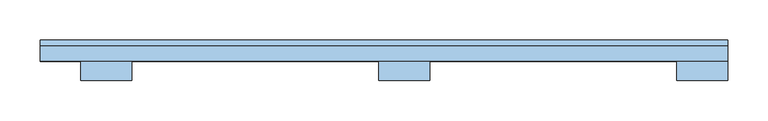
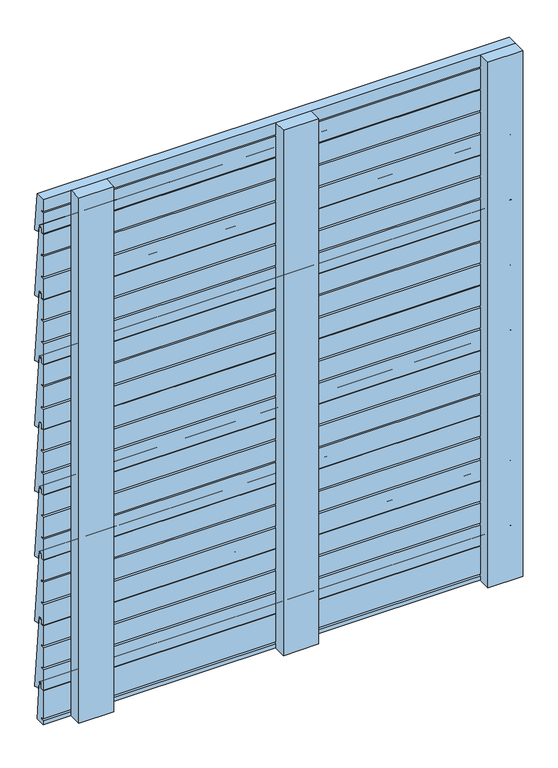
"""IFC4 building model written with IfcOpenShell, lengths in millimetres: window geometry."""

from ifc_helpers import new_model, si_unit, point, frame, frame_2d, origin, place, context, project, spatial, polyline, circle_curve, trimmed, segment, composite_curve, outline, extrude, source, transform, mapped, element, save


def window_a7425e88(model_context):
    return source(origin(), model_context, "Body", "SweptSolid", [
        extrude(outline(composite_curve([segment(polyline([(79.0486008, 158.0248213), (68.2650704, 160.8526855)]), True, "CONTINUOUS"), segment(trimmed(circle_curve(frame_2d((68.5592328, 161.8456874)), 1.0356565), [point((68.2650704, 160.8526855))], [point((67.5275173, 161.755424))], False, "CARTESIAN"), True, "CONTINUOUS"), segment(polyline([(67.5275173, 161.755424), (66.5, 173.5)]), True, "CONTINUOUS"), segment(trimmed(circle_curve(frame_2d((65.0, 173.5)), 1.5), [point((66.5, 173.5))], [point((65.0, 175.0))], True, "CARTESIAN"), True, "CONTINUOUS"), segment(polyline([(65.0, 175.0), (61.5, 175.0)]), True, "CONTINUOUS"), segment(trimmed(circle_curve(frame_2d((61.5, 173.5)), 1.5), [point((61.5, 175.0))], [point((60.0, 173.5))], True, "CARTESIAN"), True, "CONTINUOUS"), segment(polyline([(60.0, 173.5), (60.0, 167.0)]), True, "CONTINUOUS"), segment(trimmed(circle_curve(frame_2d((59.0, 167.0)), 1.0), [point((60.0, 167.0))], [point((59.0, 166.0))], False, "CARTESIAN"), True, "CONTINUOUS"), segment(polyline([(59.0, 166.0), (54.0, 166.0), (54.0, 204.8689113), (60.0, 204.8689113), (60.0, 208.3689113), (54.0, 208.3689113), (54.0, 246.9745882), (60.0, 246.9745882), (60.0, 250.4745882), (54.0, 250.4745882), (54.0, 289.0), (60.0, 289.0), (60.0, 295.5)]), True, "CONTINUOUS"), segment(trimmed(circle_curve(frame_2d((61.5, 295.5)), 1.5), [point((60.0, 295.5))], [point((61.5, 297.0))], False, "CARTESIAN"), True, "CONTINUOUS"), segment(polyline([(61.5, 297.0), (64.5312583, 297.0)]), True, "CONTINUOUS"), segment(trimmed(circle_curve(frame_2d((64.5312583, 295.5)), 1.5), [point((64.5312583, 297.0))], [point((66.0239451, 295.6479395))], False, "CARTESIAN"), True, "CONTINUOUS"), segment(polyline([(66.0239451, 295.6479395), (79.9960731, 158.8359984)]), True, "CONTINUOUS"), segment(trimmed(circle_curve(frame_2d((79.241104, 158.758896)), 0.758896), [point((79.9960731, 158.8359984))], [point((79.0486008, 158.0248213))], False, "CARTESIAN"), True, "CONTINUOUS")], self_intersect=False)), frame((-450.0, 0.0, 0.0), z_axis=(1.0, 0.0, 0.0), x_axis=(0.0, 1.0, 0.0)), (0.0, 0.0, 1.0), 850.0),
        extrude(outline(composite_curve([segment(polyline([(79.0486008, 282.0248213), (68.2650704, 284.8526855)]), True, "CONTINUOUS"), segment(trimmed(circle_curve(frame_2d((68.5592328, 285.8456874)), 1.0356565), [point((68.2650704, 284.8526855))], [point((67.5275173, 285.755424))], False, "CARTESIAN"), True, "CONTINUOUS"), segment(polyline([(67.5275173, 285.755424), (66.5, 297.5)]), True, "CONTINUOUS"), segment(trimmed(circle_curve(frame_2d((65.0, 297.5)), 1.5), [point((66.5, 297.5))], [point((65.0, 299.0))], True, "CARTESIAN"), True, "CONTINUOUS"), segment(polyline([(65.0, 299.0), (61.5, 299.0)]), True, "CONTINUOUS"), segment(trimmed(circle_curve(frame_2d((61.5, 297.5)), 1.5), [point((61.5, 299.0))], [point((60.0, 297.5))], True, "CARTESIAN"), True, "CONTINUOUS"), segment(polyline([(60.0, 297.5), (60.0, 291.0)]), True, "CONTINUOUS"), segment(trimmed(circle_curve(frame_2d((59.0, 291.0)), 1.0), [point((60.0, 291.0))], [point((59.0, 290.0))], False, "CARTESIAN"), True, "CONTINUOUS"), segment(polyline([(59.0, 290.0), (54.0, 290.0), (54.0, 328.8689113), (60.0, 328.8689113), (60.0, 332.3689113), (54.0, 332.3689113), (54.0, 370.9745882), (60.0, 370.9745882), (60.0, 374.4745882), (54.0, 374.4745882), (54.0, 413.0), (60.0, 413.0), (60.0, 419.5)]), True, "CONTINUOUS"), segment(trimmed(circle_curve(frame_2d((61.5, 419.5)), 1.5), [point((60.0, 419.5))], [point((61.5, 421.0))], False, "CARTESIAN"), True, "CONTINUOUS"), segment(polyline([(61.5, 421.0), (64.5312583, 421.0)]), True, "CONTINUOUS"), segment(trimmed(circle_curve(frame_2d((64.5312583, 419.5)), 1.5), [point((64.5312583, 421.0))], [point((66.0239451, 419.6479395))], False, "CARTESIAN"), True, "CONTINUOUS"), segment(polyline([(66.0239451, 419.6479395), (79.9960731, 282.8359984)]), True, "CONTINUOUS"), segment(trimmed(circle_curve(frame_2d((79.241104, 282.758896)), 0.758896), [point((79.9960731, 282.8359984))], [point((79.0486008, 282.0248213))], False, "CARTESIAN"), True, "CONTINUOUS")], self_intersect=False)), frame((-450.0, 0.0, 0.0), z_axis=(1.0, 0.0, 0.0), x_axis=(0.0, 1.0, 0.0)), (0.0, 0.0, 1.0), 850.0),
        extrude(outline(composite_curve([segment(polyline([(79.0486008, 406.0248213), (68.2650704, 408.8526855)]), True, "CONTINUOUS"), segment(trimmed(circle_curve(frame_2d((68.5592328, 409.8456874)), 1.0356565), [point((68.2650704, 408.8526855))], [point((67.5275173, 409.755424))], False, "CARTESIAN"), True, "CONTINUOUS"), segment(polyline([(67.5275173, 409.755424), (66.5, 421.5)]), True, "CONTINUOUS"), segment(trimmed(circle_curve(frame_2d((65.0, 421.5)), 1.5), [point((66.5, 421.5))], [point((65.0, 423.0))], True, "CARTESIAN"), True, "CONTINUOUS"), segment(polyline([(65.0, 423.0), (61.5, 423.0)]), True, "CONTINUOUS"), segment(trimmed(circle_curve(frame_2d((61.5, 421.5)), 1.5), [point((61.5, 423.0))], [point((60.0, 421.5))], True, "CARTESIAN"), True, "CONTINUOUS"), segment(polyline([(60.0, 421.5), (60.0, 415.0)]), True, "CONTINUOUS"), segment(trimmed(circle_curve(frame_2d((59.0, 415.0)), 1.0), [point((60.0, 415.0))], [point((59.0, 414.0))], False, "CARTESIAN"), True, "CONTINUOUS"), segment(polyline([(59.0, 414.0), (54.0, 414.0), (54.0, 452.8689113), (60.0, 452.8689113), (60.0, 456.3689113), (54.0, 456.3689113), (54.0, 494.9745882), (60.0, 494.9745882), (60.0, 498.4745882), (54.0, 498.4745882), (54.0, 537.0), (60.0, 537.0), (60.0, 543.5)]), True, "CONTINUOUS"), segment(trimmed(circle_curve(frame_2d((61.5, 543.5)), 1.5), [point((60.0, 543.5))], [point((61.5, 545.0))], False, "CARTESIAN"), True, "CONTINUOUS"), segment(polyline([(61.5, 545.0), (64.5312583, 545.0)]), True, "CONTINUOUS"), segment(trimmed(circle_curve(frame_2d((64.5312583, 543.5)), 1.5), [point((64.5312583, 545.0))], [point((66.0239451, 543.6479395))], False, "CARTESIAN"), True, "CONTINUOUS"), segment(polyline([(66.0239451, 543.6479395), (79.9960731, 406.8359984)]), True, "CONTINUOUS"), segment(trimmed(circle_curve(frame_2d((79.241104, 406.758896)), 0.758896), [point((79.9960731, 406.8359984))], [point((79.0486008, 406.0248213))], False, "CARTESIAN"), True, "CONTINUOUS")], self_intersect=False)), frame((-450.0, 0.0, 0.0), z_axis=(1.0, 0.0, 0.0), x_axis=(0.0, 1.0, 0.0)), (0.0, 0.0, 1.0), 850.0),
        extrude(outline(composite_curve([segment(polyline([(79.0486008, 530.0248213), (68.2650704, 532.8526855)]), True, "CONTINUOUS"), segment(trimmed(circle_curve(frame_2d((68.5592328, 533.8456874)), 1.0356565), [point((68.2650704, 532.8526855))], [point((67.5275173, 533.755424))], False, "CARTESIAN"), True, "CONTINUOUS"), segment(polyline([(67.5275173, 533.755424), (66.5, 545.5)]), True, "CONTINUOUS"), segment(trimmed(circle_curve(frame_2d((65.0, 545.5)), 1.5), [point((66.5, 545.5))], [point((65.0, 547.0))], True, "CARTESIAN"), True, "CONTINUOUS"), segment(polyline([(65.0, 547.0), (61.5, 547.0)]), True, "CONTINUOUS"), segment(trimmed(circle_curve(frame_2d((61.5, 545.5)), 1.5), [point((61.5, 547.0))], [point((60.0, 545.5))], True, "CARTESIAN"), True, "CONTINUOUS"), segment(polyline([(60.0, 545.5), (60.0, 539.0)]), True, "CONTINUOUS"), segment(trimmed(circle_curve(frame_2d((59.0, 539.0)), 1.0), [point((60.0, 539.0))], [point((59.0, 538.0))], False, "CARTESIAN"), True, "CONTINUOUS"), segment(polyline([(59.0, 538.0), (54.0, 538.0), (54.0, 576.8689113), (60.0, 576.8689113), (60.0, 580.3689113), (54.0, 580.3689113), (54.0, 618.9745882), (60.0, 618.9745882), (60.0, 622.4745882), (54.0, 622.4745882), (54.0, 661.0), (60.0, 661.0), (60.0, 667.5)]), True, "CONTINUOUS"), segment(trimmed(circle_curve(frame_2d((61.5, 667.5)), 1.5), [point((60.0, 667.5))], [point((61.5, 669.0))], False, "CARTESIAN"), True, "CONTINUOUS"), segment(polyline([(61.5, 669.0), (64.5312583, 669.0)]), True, "CONTINUOUS"), segment(trimmed(circle_curve(frame_2d((64.5312583, 667.5)), 1.5), [point((64.5312583, 669.0))], [point((66.0239451, 667.6479395))], False, "CARTESIAN"), True, "CONTINUOUS"), segment(polyline([(66.0239451, 667.6479395), (79.9960731, 530.8359984)]), True, "CONTINUOUS"), segment(trimmed(circle_curve(frame_2d((79.241104, 530.758896)), 0.758896), [point((79.9960731, 530.8359984))], [point((79.0486008, 530.0248213))], False, "CARTESIAN"), True, "CONTINUOUS")], self_intersect=False)), frame((-450.0, 0.0, 0.0), z_axis=(1.0, 0.0, 0.0), x_axis=(0.0, 1.0, 0.0)), (0.0, 0.0, 1.0), 850.0),
        extrude(outline(composite_curve([segment(polyline([(79.0486008, 654.0248213), (68.2650704, 656.8526855)]), True, "CONTINUOUS"), segment(trimmed(circle_curve(frame_2d((68.5592328, 657.8456874)), 1.0356565), [point((68.2650704, 656.8526855))], [point((67.5275173, 657.755424))], False, "CARTESIAN"), True, "CONTINUOUS"), segment(polyline([(67.5275173, 657.755424), (66.5, 669.5)]), True, "CONTINUOUS"), segment(trimmed(circle_curve(frame_2d((65.0, 669.5)), 1.5), [point((66.5, 669.5))], [point((65.0, 671.0))], True, "CARTESIAN"), True, "CONTINUOUS"), segment(polyline([(65.0, 671.0), (61.5, 671.0)]), True, "CONTINUOUS"), segment(trimmed(circle_curve(frame_2d((61.5, 669.5)), 1.5), [point((61.5, 671.0))], [point((60.0, 669.5))], True, "CARTESIAN"), True, "CONTINUOUS"), segment(polyline([(60.0, 669.5), (60.0, 663.0)]), True, "CONTINUOUS"), segment(trimmed(circle_curve(frame_2d((59.0, 663.0)), 1.0), [point((60.0, 663.0))], [point((59.0, 662.0))], False, "CARTESIAN"), True, "CONTINUOUS"), segment(polyline([(59.0, 662.0), (54.0, 662.0), (54.0, 700.8689113), (60.0, 700.8689113), (60.0, 704.3689113), (54.0, 704.3689113), (54.0, 742.9745882), (60.0, 742.9745882), (60.0, 746.4745882), (54.0, 746.4745882), (54.0, 785.0), (60.0, 785.0), (60.0, 791.5)]), True, "CONTINUOUS"), segment(trimmed(circle_curve(frame_2d((61.5, 791.5)), 1.5), [point((60.0, 791.5))], [point((61.5, 793.0))], False, "CARTESIAN"), True, "CONTINUOUS"), segment(polyline([(61.5, 793.0), (64.5312583, 793.0)]), True, "CONTINUOUS"), segment(trimmed(circle_curve(frame_2d((64.5312583, 791.5)), 1.5), [point((64.5312583, 793.0))], [point((66.0239451, 791.6479395))], False, "CARTESIAN"), True, "CONTINUOUS"), segment(polyline([(66.0239451, 791.6479395), (79.9960731, 654.8359984)]), True, "CONTINUOUS"), segment(trimmed(circle_curve(frame_2d((79.241104, 654.758896)), 0.758896), [point((79.9960731, 654.8359984))], [point((79.0486008, 654.0248213))], False, "CARTESIAN"), True, "CONTINUOUS")], self_intersect=False)), frame((-450.0, 0.0, 0.0), z_axis=(1.0, 0.0, 0.0), x_axis=(0.0, 1.0, 0.0)), (0.0, 0.0, 1.0), 850.0),
        extrude(outline(composite_curve([segment(polyline([(79.0486008, 778.0248213), (68.2650704, 780.8526855)]), True, "CONTINUOUS"), segment(trimmed(circle_curve(frame_2d((68.5592328, 781.8456874)), 1.0356565), [point((68.2650704, 780.8526855))], [point((67.5275173, 781.755424))], False, "CARTESIAN"), True, "CONTINUOUS"), segment(polyline([(67.5275173, 781.755424), (66.5, 793.5)]), True, "CONTINUOUS"), segment(trimmed(circle_curve(frame_2d((65.0, 793.5)), 1.5), [point((66.5, 793.5))], [point((65.0, 795.0))], True, "CARTESIAN"), True, "CONTINUOUS"), segment(polyline([(65.0, 795.0), (61.5, 795.0)]), True, "CONTINUOUS"), segment(trimmed(circle_curve(frame_2d((61.5, 793.5)), 1.5), [point((61.5, 795.0))], [point((60.0, 793.5))], True, "CARTESIAN"), True, "CONTINUOUS"), segment(polyline([(60.0, 793.5), (60.0, 787.0)]), True, "CONTINUOUS"), segment(trimmed(circle_curve(frame_2d((59.0, 787.0)), 1.0), [point((60.0, 787.0))], [point((59.0, 786.0))], False, "CARTESIAN"), True, "CONTINUOUS"), segment(polyline([(59.0, 786.0), (54.0, 786.0), (54.0, 824.8689113), (60.0, 824.8689113), (60.0, 828.3689113), (54.0, 828.3689113), (54.0, 866.9745882), (60.0, 866.9745882), (60.0, 870.4745882), (54.0, 870.4745882), (54.0, 909.0), (60.0, 909.0), (60.0, 915.5)]), True, "CONTINUOUS"), segment(trimmed(circle_curve(frame_2d((61.5, 915.5)), 1.5), [point((60.0, 915.5))], [point((61.5, 917.0))], False, "CARTESIAN"), True, "CONTINUOUS"), segment(polyline([(61.5, 917.0), (64.5312583, 917.0)]), True, "CONTINUOUS"), segment(trimmed(circle_curve(frame_2d((64.5312583, 915.5)), 1.5), [point((64.5312583, 917.0))], [point((66.0239451, 915.6479395))], False, "CARTESIAN"), True, "CONTINUOUS"), segment(polyline([(66.0239451, 915.6479395), (79.9960731, 778.8359984)]), True, "CONTINUOUS"), segment(trimmed(circle_curve(frame_2d((79.241104, 778.758896)), 0.758896), [point((79.9960731, 778.8359984))], [point((79.0486008, 778.0248213))], False, "CARTESIAN"), True, "CONTINUOUS")], self_intersect=False)), frame((-450.0, 0.0, 0.0), z_axis=(1.0, 0.0, 0.0), x_axis=(0.0, 1.0, 0.0)), (0.0, 0.0, 1.0), 850.0),
        extrude(outline(composite_curve([segment(polyline([(79.0486008, 902.0248213), (68.2650704, 904.8526855)]), True, "CONTINUOUS"), segment(trimmed(circle_curve(frame_2d((68.5592328, 905.8456874)), 1.0356565), [point((68.2650704, 904.8526855))], [point((67.5275173, 905.755424))], False, "CARTESIAN"), True, "CONTINUOUS"), segment(polyline([(67.5275173, 905.755424), (66.5, 917.5)]), True, "CONTINUOUS"), segment(trimmed(circle_curve(frame_2d((65.0, 917.5)), 1.5), [point((66.5, 917.5))], [point((65.0, 919.0))], True, "CARTESIAN"), True, "CONTINUOUS"), segment(polyline([(65.0, 919.0), (61.5, 919.0)]), True, "CONTINUOUS"), segment(trimmed(circle_curve(frame_2d((61.5, 917.5)), 1.5), [point((61.5, 919.0))], [point((60.0, 917.5))], True, "CARTESIAN"), True, "CONTINUOUS"), segment(polyline([(60.0, 917.5), (60.0, 911.0)]), True, "CONTINUOUS"), segment(trimmed(circle_curve(frame_2d((59.0, 911.0)), 1.0), [point((60.0, 911.0))], [point((59.0, 910.0))], False, "CARTESIAN"), True, "CONTINUOUS"), segment(polyline([(59.0, 910.0), (54.0, 910.0), (54.0, 948.8689113), (60.0, 948.8689113), (60.0, 952.3689113), (54.0, 952.3689113), (54.0, 990.9745882), (60.0, 990.9745882), (60.0, 994.4745882), (54.0, 994.4745882), (54.0, 1033.0), (60.0, 1033.0), (60.0, 1039.5)]), True, "CONTINUOUS"), segment(trimmed(circle_curve(frame_2d((61.5, 1039.5)), 1.5), [point((60.0, 1039.5))], [point((61.5, 1041.0))], False, "CARTESIAN"), True, "CONTINUOUS"), segment(polyline([(61.5, 1041.0), (64.5312583, 1041.0)]), True, "CONTINUOUS"), segment(trimmed(circle_curve(frame_2d((64.5312583, 1039.5)), 1.5), [point((64.5312583, 1041.0))], [point((66.0239451, 1039.6479395))], False, "CARTESIAN"), True, "CONTINUOUS"), segment(polyline([(66.0239451, 1039.6479395), (79.9960731, 902.8359984)]), True, "CONTINUOUS"), segment(trimmed(circle_curve(frame_2d((79.241104, 902.758896)), 0.758896), [point((79.9960731, 902.8359984))], [point((79.0486008, 902.0248213))], False, "CARTESIAN"), True, "CONTINUOUS")], self_intersect=False)), frame((-450.0, 0.0, 0.0), z_axis=(1.0, 0.0, 0.0), x_axis=(0.0, 1.0, 0.0)), (0.0, 0.0, 1.0), 850.0),
        extrude(outline(composite_curve([segment(polyline([(66.0239451, 171.6479395), (73.3411001, 100.0), (54.0, 100.0), (54.0, 107.9745882), (60.0, 107.9745882), (60.0, 111.4745882), (54.0, 111.4745882), (54.0, 165.0), (60.0, 165.0), (60.0, 171.5)]), True, "CONTINUOUS"), segment(trimmed(circle_curve(frame_2d((61.5, 171.5)), 1.5), [point((60.0, 171.5))], [point((61.5, 173.0))], False, "CARTESIAN"), True, "CONTINUOUS"), segment(polyline([(61.5, 173.0), (64.5312583, 173.0)]), True, "CONTINUOUS"), segment(trimmed(circle_curve(frame_2d((64.5312583, 171.5)), 1.5), [point((64.5312583, 173.0))], [point((66.0239451, 171.6479395))], False, "CARTESIAN"), True, "CONTINUOUS")], self_intersect=False)), frame((-450.0, 0.0, 0.0), z_axis=(1.0, 0.0, 0.0), x_axis=(0.0, 1.0, 0.0)), (0.0, 0.0, 1.0), 850.0),
        extrude(outline(composite_curve([segment(polyline([(79.0486008, 1027.0248213), (68.2704843, 1029.8526855)]), True, "CONTINUOUS"), segment(trimmed(circle_curve(frame_2d((68.5646467, 1030.8456874)), 1.0356565), [point((68.2704843, 1029.8526855))], [point((67.5329312, 1030.755424))], False, "CARTESIAN"), True, "CONTINUOUS"), segment(polyline([(67.5329312, 1030.755424), (66.4957881, 1042.4879677)]), True, "CONTINUOUS"), segment(trimmed(circle_curve(frame_2d((65.0102268, 1042.4879677)), 1.4855613), [point((66.4957881, 1042.4879677))], [point((65.0102268, 1043.973529))], True, "CARTESIAN"), True, "CONTINUOUS"), segment(polyline([(65.0102268, 1043.973529), (61.4126301, 1043.973529)]), True, "CONTINUOUS"), segment(trimmed(circle_curve(frame_2d((61.4126301, 1042.5252678)), 1.4482612), [point((61.4126301, 1043.973529))], [point((59.9643689, 1042.5252678))], True, "CARTESIAN"), True, "CONTINUOUS"), segment(polyline([(59.9643689, 1042.5252678), (59.9643689, 1036.0411504)]), True, "CONTINUOUS"), segment(trimmed(circle_curve(frame_2d((58.9232185, 1036.0411504)), 1.0411504), [point((59.9643689, 1036.0411504))], [point((58.9232185, 1035.0))], False, "CARTESIAN"), True, "CONTINUOUS"), segment(polyline([(58.9232185, 1035.0), (54.0, 1035.0), (54.0, 1073.8689113), (60.0, 1073.8689113), (60.0, 1077.3689113), (54.0, 1077.3689113), (54.0, 1100.0), (72.5822934, 1100.0), (79.9521521, 1027.8359984)]), True, "CONTINUOUS"), segment(trimmed(circle_curve(frame_2d((79.2054729, 1027.758896)), 0.7506494), [point((79.9521521, 1027.8359984))], [point((79.0486008, 1027.0248213))], False, "CARTESIAN"), True, "CONTINUOUS")], self_intersect=False)), frame((-450.0, 0.0, 0.0), z_axis=(1.0, 0.0, 0.0), x_axis=(0.0, 1.0, 0.0)), (0.0, 0.0, 1.0), 850.0),
        extrude(outline(polyline([(-31.5, 54.1), (31.5, 54.1), (31.5, 30.1), (-31.5, 30.1), (-31.5, 54.1)])), frame((0.0, 0.0, 100.0), z_axis=(0.0, 0.0, 1.0), x_axis=(1.0, 0.0, 0.0)), (0.0, 0.0, 1.0), 1000.0),
        extrude(outline(polyline([(-400.0, 54.0), (-337.0, 54.0), (-337.0, 30.0), (-400.0, 30.0), (-400.0, 54.0)])), frame((0.0, 0.0, 100.0), z_axis=(0.0, 0.0, 1.0), x_axis=(1.0, 0.0, 0.0)), (0.0, 0.0, 1.0), 1000.0),
        extrude(outline(polyline([(337.0, 54.0), (400.0, 54.0), (400.0, 30.0), (337.0, 30.0), (337.0, 54.0)])), frame((0.0, 0.0, 100.0), z_axis=(0.0, 0.0, 1.0), x_axis=(1.0, 0.0, 0.0)), (0.0, 0.0, 1.0), 1000.0),
    ])


if __name__ == "__main__":
    model = new_model("IFC4")
    model_context = context("Model", 3, world=origin())
    ifc_project = project(units=[si_unit("LENGTHUNIT", "METRE", prefix="MILLI")], contexts=[model_context])
    site = spatial("IfcSite", under=ifc_project)
    building = spatial("IfcBuilding", under=site)
    placement = place(None, origin())
    window_shape = window_a7425e88(model_context)
    element("IfcWindow", 1, at=placement, inside=building, context=model_context, shape_type="MappedRepresentation", body=[
        mapped(window_shape, transform((0.0, 0.0, 0.0), x_axis=(1.0, 0.0, 0.0), y_axis=(0.0, 1.0, 0.0), z_axis=(0.0, 0.0, 1.0))),
    ])
    save(model, "model.ifc")
